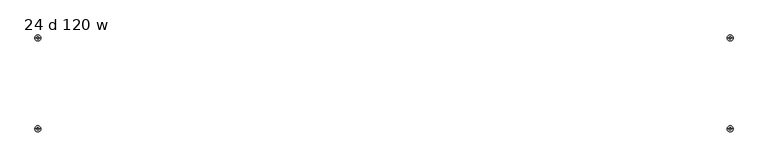
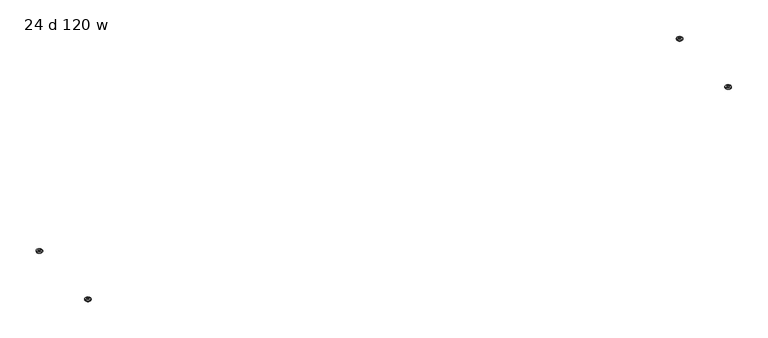
"""IFC4 building model written with IfcOpenShell, lengths in millimetres: furniture geometry, 24 d 120 w."""

from ifc_helpers import new_model, si_unit, point, frame, origin, place, context, project, spatial, circle_curve, ellipse_curve, trimmed, source, transform, mapped, element, save
from ifc_brep_helpers import plane_surface, cylinder_surface, revolved_surface, advanced_brep


def furniture_24_d_120_w_825c9693(model_context):
    return source(origin(), model_context, "Body", "AdvancedBrep", [
        advanced_brep(
        [(-1453.3322731, -191.2439953, 0.0), (-1458.4112333, -191.2439953, 0.0), (-1455.8717532, -191.2439953, 0.0), (-1443.174498, -191.2439953, 3.6684262), (-1468.5690084, -191.2439953, 3.6684262), (-1443.174498, -191.2439953, 7.8731999), (-1468.5690084, -191.2439953, 7.8731999), (-1451.1120222, -191.2439953, 7.8731999), (-1460.6314842, -191.2439953, 7.8731999), (-1451.1120222, -191.2439953, 12.2237497), (-1460.6314842, -191.2439953, 12.2237497), (-1455.8717532, -191.2439953, 12.2237497)],
        [
            (0, 1, circle_curve(frame((-1455.8717532, -191.2439953, 0.0), z_axis=(0.0, 0.0, -1.0), x_axis=(-1.0, 0.0, 0.0)), 2.5394801)),
            (1, 2),
            (2, 0),
            (1, 0, circle_curve(frame((-1455.8717532, -191.2439953, 0.0), z_axis=(0.0, 0.0, -1.0), x_axis=(-1.0, 0.0, 0.0)), 2.5394801)),
            (0, 3, circle_curve(frame((-1453.3322731, -191.2439953, 15.8975186), z_axis=(0.0, -1.0, 0.0), x_axis=(1.0, 0.0, 0.0)), 15.8975186)),
            (3, 4, circle_curve(frame((-1455.8717532, -191.2439953, 3.6684262), z_axis=(0.0, 0.0, -1.0), x_axis=(-1.0, 0.0, 0.0)), 12.6972552)),
            (4, 1, circle_curve(frame((-1458.4112333, -191.2439953, 15.8975186), z_axis=(0.0, -1.0, 0.0), x_axis=(-1.0, 0.0, 0.0)), 15.8975186)),
            (4, 3, circle_curve(frame((-1455.8717532, -191.2439953, 3.6684262), z_axis=(0.0, 0.0, -1.0), x_axis=(-1.0, 0.0, 0.0)), 12.6972552)),
            (3, 5),
            (5, 6, circle_curve(frame((-1455.8717532, -191.2439953, 7.8731999), z_axis=(0.0, 0.0, -1.0), x_axis=(-1.0, 0.0, 0.0)), 12.6972552)),
            (6, 4),
            (6, 5, circle_curve(frame((-1455.8717532, -191.2439953, 7.8731999), z_axis=(0.0, 0.0, -1.0), x_axis=(-1.0, 0.0, 0.0)), 12.6972552)),
            (5, 7),
            (7, 8, circle_curve(frame((-1455.8717532, -191.2439953, 7.8731999), z_axis=(0.0, 0.0, -1.0), x_axis=(-1.0, 0.0, 0.0)), 4.759731)),
            (8, 6),
            (8, 7, circle_curve(frame((-1455.8717532, -191.2439953, 7.8731999), z_axis=(0.0, 0.0, -1.0), x_axis=(-1.0, 0.0, 0.0)), 4.759731)),
            (7, 9),
            (9, 10, circle_curve(frame((-1455.8717532, -191.2439953, 12.2237497), z_axis=(0.0, 0.0, -1.0), x_axis=(-1.0, 0.0, 0.0)), 4.759731)),
            (10, 8),
            (10, 9, circle_curve(frame((-1455.8717532, -191.2439953, 12.2237497), z_axis=(0.0, 0.0, -1.0), x_axis=(-1.0, 0.0, 0.0)), 4.759731)),
            (9, 11),
            (11, 10),
        ],
        [
            plane_surface(frame((-1455.8717532, -191.2439953, 0.0), z_axis=(0.0, 0.0, -1.0), x_axis=(-1.0, 0.0, 0.0))),
            revolved_surface(trimmed(ellipse_curve(frame((-1458.4112333, -191.2439953, 15.8975186), z_axis=(0.0, 1.0, 0.0), x_axis=(-1.0, 0.0, 0.0)), 15.8975186, 15.8975186), [point((-1458.4112333, -191.2439953, 0.0))], [point((-1468.5690084, -191.2439953, 3.6684262))], True, "CARTESIAN"), (-1455.8717532, -191.2439953, 12.2237497), (0.0, 0.0, 1.0)),
            cylinder_surface(frame((-1455.8717532, -191.2439953, 12.2237497), z_axis=(0.0, 0.0, 1.0), x_axis=(-1.0, 0.0, 0.0)), 12.6972552),
            plane_surface(frame((-1455.8717532, -191.2439953, 7.8731999), z_axis=(0.0, 0.0, 1.0), x_axis=(-1.0, 0.0, 0.0))),
            cylinder_surface(frame((-1455.8717532, -191.2439953, 12.2237497), z_axis=(0.0, 0.0, 1.0), x_axis=(-1.0, 0.0, 0.0)), 4.759731),
            plane_surface(frame((-1455.8717532, -191.2439953, 12.2237497), z_axis=(0.0, 0.0, 1.0), x_axis=(-1.0, 0.0, 0.0))),
        ],
        [
            (0, [[1, 2, 3]]),
            (0, [[-2, 4, -3]]),
            (1, [[-1, 5, 6, 7]]),
            (1, [[-4, -7, 8, -5]]),
            (2, [[-6, 9, 10, 11]]),
            (2, [[-8, -11, 12, -9]]),
            (3, [[-10, 13, 14, 15]]),
            (3, [[-12, -15, 16, -13]]),
            (4, [[-14, 17, 18, 19]]),
            (4, [[-16, -19, 20, -17]]),
            (5, [[-18, 21, 22]]),
            (5, [[-20, -22, -21]]),
        ],
    ),
        advanced_brep(
        [(-1455.8717532, 191.2439953, 0.0), (-1458.4112333, 191.2439953, 0.0), (-1453.3322731, 191.2439953, 0.0), (-1468.5690084, 191.2439953, 3.6684262), (-1443.174498, 191.2439953, 3.6684262), (-1468.5690084, 191.2439953, 7.8731999), (-1443.174498, 191.2439953, 7.8731999), (-1460.6314842, 191.2439953, 7.8731999), (-1451.1120222, 191.2439953, 7.8731999), (-1460.6314842, 191.2439953, 12.2237497), (-1451.1120222, 191.2439953, 12.2237497), (-1455.8717532, 191.2439953, 12.2237497)],
        [
            (0, 1),
            (1, 2, circle_curve(frame((-1455.8717532, 191.2439953, 0.0), z_axis=(0.0, 0.0, -1.0), x_axis=(-1.0, 0.0, 0.0)), 2.5394801)),
            (2, 0),
            (2, 1, circle_curve(frame((-1455.8717532, 191.2439953, 0.0), z_axis=(0.0, 0.0, -1.0), x_axis=(-1.0, 0.0, 0.0)), 2.5394801)),
            (1, 3, circle_curve(frame((-1458.4112333, 191.2439953, 15.8975186), z_axis=(0.0, 1.0, 0.0), x_axis=(-1.0, 0.0, 0.0)), 15.8975186)),
            (3, 4, circle_curve(frame((-1455.8717532, 191.2439953, 3.6684262), z_axis=(0.0, 0.0, -1.0), x_axis=(-1.0, 0.0, 0.0)), 12.6972552)),
            (4, 2, circle_curve(frame((-1453.3322731, 191.2439953, 15.8975186), z_axis=(0.0, 1.0, 0.0), x_axis=(1.0, 0.0, 0.0)), 15.8975186)),
            (4, 3, circle_curve(frame((-1455.8717532, 191.2439953, 3.6684262), z_axis=(0.0, 0.0, -1.0), x_axis=(-1.0, 0.0, 0.0)), 12.6972552)),
            (3, 5),
            (5, 6, circle_curve(frame((-1455.8717532, 191.2439953, 7.8731999), z_axis=(0.0, 0.0, -1.0), x_axis=(-1.0, 0.0, 0.0)), 12.6972552)),
            (6, 4),
            (6, 5, circle_curve(frame((-1455.8717532, 191.2439953, 7.8731999), z_axis=(0.0, 0.0, -1.0), x_axis=(-1.0, 0.0, 0.0)), 12.6972552)),
            (5, 7),
            (7, 8, circle_curve(frame((-1455.8717532, 191.2439953, 7.8731999), z_axis=(0.0, 0.0, -1.0), x_axis=(-1.0, 0.0, 0.0)), 4.759731)),
            (8, 6),
            (8, 7, circle_curve(frame((-1455.8717532, 191.2439953, 7.8731999), z_axis=(0.0, 0.0, -1.0), x_axis=(-1.0, 0.0, 0.0)), 4.759731)),
            (7, 9),
            (9, 10, circle_curve(frame((-1455.8717532, 191.2439953, 12.2237497), z_axis=(0.0, 0.0, -1.0), x_axis=(-1.0, 0.0, 0.0)), 4.759731)),
            (10, 8),
            (10, 9, circle_curve(frame((-1455.8717532, 191.2439953, 12.2237497), z_axis=(0.0, 0.0, -1.0), x_axis=(-1.0, 0.0, 0.0)), 4.759731)),
            (9, 11),
            (11, 10),
        ],
        [
            plane_surface(frame((-1455.8717532, 191.2439953, 0.0), z_axis=(0.0, 0.0, -1.0), x_axis=(-1.0, 0.0, 0.0))),
            revolved_surface(trimmed(ellipse_curve(frame((-1458.4112333, 191.2439953, 15.8975186), z_axis=(0.0, -1.0, 0.0), x_axis=(-1.0, 0.0, 0.0)), 15.8975186, 15.8975186), [point((-1468.5690084, 191.2439953, 3.6684262))], [point((-1458.4112333, 191.2439953, 0.0))], True, "CARTESIAN"), (-1455.8717532, 191.2439953, 12.2237497), (0.0, 0.0, -1.0)),
            cylinder_surface(frame((-1455.8717532, 191.2439953, 12.2237497), z_axis=(0.0, 0.0, -1.0), x_axis=(-1.0, 0.0, 0.0)), 12.6972552),
            plane_surface(frame((-1455.8717532, 191.2439953, 7.8731999), z_axis=(0.0, 0.0, 1.0), x_axis=(-1.0, 0.0, 0.0))),
            cylinder_surface(frame((-1455.8717532, 191.2439953, 12.2237497), z_axis=(0.0, 0.0, -1.0), x_axis=(-1.0, 0.0, 0.0)), 4.759731),
            plane_surface(frame((-1455.8717532, 191.2439953, 12.2237497), z_axis=(0.0, 0.0, 1.0), x_axis=(-1.0, 0.0, 0.0))),
        ],
        [
            (0, [[1, 2, 3]]),
            (0, [[-1, -3, 4]]),
            (1, [[-2, 5, 6, 7]]),
            (1, [[-4, -7, 8, -5]]),
            (2, [[-6, 9, 10, 11]]),
            (2, [[-8, -11, 12, -9]]),
            (3, [[-10, 13, 14, 15]]),
            (3, [[-12, -15, 16, -13]]),
            (4, [[-14, 17, 18, 19]]),
            (4, [[-16, -19, 20, -17]]),
            (5, [[-18, 21, 22]]),
            (5, [[-20, -22, -21]]),
        ],
    ),
        advanced_brep(
        [(1455.8717532, -191.2439953, 0.0), (1458.4112333, -191.2439953, 0.0), (1453.3322731, -191.2439953, 0.0), (1468.5690084, -191.2439953, 3.6684262), (1443.174498, -191.2439953, 3.6684262), (1468.5690084, -191.2439953, 7.8731999), (1443.174498, -191.2439953, 7.8731999), (1460.6314842, -191.2439953, 7.8731999), (1451.1120222, -191.2439953, 7.8731999), (1460.6314842, -191.2439953, 12.2237497), (1451.1120222, -191.2439953, 12.2237497), (1455.8717532, -191.2439953, 12.2237497)],
        [
            (0, 1),
            (1, 2, circle_curve(frame((1455.8717532, -191.2439953, 0.0), z_axis=(0.0, 0.0, -1.0), x_axis=(1.0, 0.0, 0.0)), 2.5394801)),
            (2, 0),
            (2, 1, circle_curve(frame((1455.8717532, -191.2439953, 0.0), z_axis=(0.0, 0.0, -1.0), x_axis=(1.0, 0.0, 0.0)), 2.5394801)),
            (1, 3, circle_curve(frame((1458.4112333, -191.2439953, 15.8975186), z_axis=(0.0, -1.0, 0.0), x_axis=(-1.0, 0.0, 0.0)), 15.8975186)),
            (3, 4, circle_curve(frame((1455.8717532, -191.2439953, 3.6684262), z_axis=(0.0, 0.0, -1.0), x_axis=(1.0, 0.0, 0.0)), 12.6972552)),
            (4, 2, circle_curve(frame((1453.3322731, -191.2439953, 15.8975186), z_axis=(0.0, -1.0, 0.0), x_axis=(1.0, 0.0, 0.0)), 15.8975186)),
            (4, 3, circle_curve(frame((1455.8717532, -191.2439953, 3.6684262), z_axis=(0.0, 0.0, -1.0), x_axis=(1.0, 0.0, 0.0)), 12.6972552)),
            (3, 5),
            (5, 6, circle_curve(frame((1455.8717532, -191.2439953, 7.8731999), z_axis=(0.0, 0.0, -1.0), x_axis=(1.0, 0.0, 0.0)), 12.6972552)),
            (6, 4),
            (6, 5, circle_curve(frame((1455.8717532, -191.2439953, 7.8731999), z_axis=(0.0, 0.0, -1.0), x_axis=(1.0, 0.0, 0.0)), 12.6972552)),
            (5, 7),
            (7, 8, circle_curve(frame((1455.8717532, -191.2439953, 7.8731999), z_axis=(0.0, 0.0, -1.0), x_axis=(1.0, 0.0, 0.0)), 4.759731)),
            (8, 6),
            (8, 7, circle_curve(frame((1455.8717532, -191.2439953, 7.8731999), z_axis=(0.0, 0.0, -1.0), x_axis=(1.0, 0.0, 0.0)), 4.759731)),
            (7, 9),
            (9, 10, circle_curve(frame((1455.8717532, -191.2439953, 12.2237497), z_axis=(0.0, 0.0, -1.0), x_axis=(1.0, 0.0, 0.0)), 4.759731)),
            (10, 8),
            (10, 9, circle_curve(frame((1455.8717532, -191.2439953, 12.2237497), z_axis=(0.0, 0.0, -1.0), x_axis=(1.0, 0.0, 0.0)), 4.759731)),
            (9, 11),
            (11, 10),
        ],
        [
            plane_surface(frame((1455.8717532, -191.2439953, 0.0), z_axis=(0.0, 0.0, -1.0), x_axis=(1.0, 0.0, 0.0))),
            revolved_surface(trimmed(ellipse_curve(frame((1458.4112333, -191.2439953, 15.8975186), z_axis=(0.0, 1.0, 0.0), x_axis=(-1.0, 0.0, 0.0)), 15.8975186, 15.8975186), [point((1468.5690084, -191.2439953, 3.6684262))], [point((1458.4112333, -191.2439953, 0.0))], True, "CARTESIAN"), (1455.8717532, -191.2439953, 12.2237497), (0.0, 0.0, -1.0)),
            cylinder_surface(frame((1455.8717532, -191.2439953, 12.2237497), z_axis=(0.0, 0.0, -1.0), x_axis=(1.0, 0.0, 0.0)), 12.6972552),
            plane_surface(frame((1455.8717532, -191.2439953, 7.8731999), z_axis=(0.0, 0.0, 1.0), x_axis=(1.0, 0.0, 0.0))),
            cylinder_surface(frame((1455.8717532, -191.2439953, 12.2237497), z_axis=(0.0, 0.0, -1.0), x_axis=(1.0, 0.0, 0.0)), 4.759731),
            plane_surface(frame((1455.8717532, -191.2439953, 12.2237497), z_axis=(0.0, 0.0, 1.0), x_axis=(1.0, 0.0, 0.0))),
        ],
        [
            (0, [[1, 2, 3]]),
            (0, [[-1, -3, 4]]),
            (1, [[-2, 5, 6, 7]]),
            (1, [[-4, -7, 8, -5]]),
            (2, [[-6, 9, 10, 11]]),
            (2, [[-8, -11, 12, -9]]),
            (3, [[-10, 13, 14, 15]]),
            (3, [[-12, -15, 16, -13]]),
            (4, [[-14, 17, 18, 19]]),
            (4, [[-16, -19, 20, -17]]),
            (5, [[-18, 21, 22]]),
            (5, [[-20, -22, -21]]),
        ],
    ),
        advanced_brep(
        [(1453.3322731, 191.2439953, 0.0), (1458.4112333, 191.2439953, 0.0), (1455.8717532, 191.2439953, 0.0), (1443.174498, 191.2439953, 3.6684262), (1468.5690084, 191.2439953, 3.6684262), (1443.174498, 191.2439953, 7.8731999), (1468.5690084, 191.2439953, 7.8731999), (1451.1120222, 191.2439953, 7.8731999), (1460.6314842, 191.2439953, 7.8731999), (1451.1120222, 191.2439953, 12.2237497), (1460.6314842, 191.2439953, 12.2237497), (1455.8717532, 191.2439953, 12.2237497)],
        [
            (0, 1, circle_curve(frame((1455.8717532, 191.2439953, 0.0), z_axis=(0.0, 0.0, -1.0), x_axis=(1.0, 0.0, 0.0)), 2.5394801)),
            (1, 2),
            (2, 0),
            (1, 0, circle_curve(frame((1455.8717532, 191.2439953, 0.0), z_axis=(0.0, 0.0, -1.0), x_axis=(1.0, 0.0, 0.0)), 2.5394801)),
            (0, 3, circle_curve(frame((1453.3322731, 191.2439953, 15.8975186), z_axis=(0.0, 1.0, 0.0), x_axis=(1.0, 0.0, 0.0)), 15.8975186)),
            (3, 4, circle_curve(frame((1455.8717532, 191.2439953, 3.6684262), z_axis=(0.0, 0.0, -1.0), x_axis=(1.0, 0.0, 0.0)), 12.6972552)),
            (4, 1, circle_curve(frame((1458.4112333, 191.2439953, 15.8975186), z_axis=(0.0, 1.0, 0.0), x_axis=(-1.0, 0.0, 0.0)), 15.8975186)),
            (4, 3, circle_curve(frame((1455.8717532, 191.2439953, 3.6684262), z_axis=(0.0, 0.0, -1.0), x_axis=(1.0, 0.0, 0.0)), 12.6972552)),
            (3, 5),
            (5, 6, circle_curve(frame((1455.8717532, 191.2439953, 7.8731999), z_axis=(0.0, 0.0, -1.0), x_axis=(1.0, 0.0, 0.0)), 12.6972552)),
            (6, 4),
            (6, 5, circle_curve(frame((1455.8717532, 191.2439953, 7.8731999), z_axis=(0.0, 0.0, -1.0), x_axis=(1.0, 0.0, 0.0)), 12.6972552)),
            (5, 7),
            (7, 8, circle_curve(frame((1455.8717532, 191.2439953, 7.8731999), z_axis=(0.0, 0.0, -1.0), x_axis=(1.0, 0.0, 0.0)), 4.759731)),
            (8, 6),
            (8, 7, circle_curve(frame((1455.8717532, 191.2439953, 7.8731999), z_axis=(0.0, 0.0, -1.0), x_axis=(1.0, 0.0, 0.0)), 4.759731)),
            (7, 9),
            (9, 10, circle_curve(frame((1455.8717532, 191.2439953, 12.2237497), z_axis=(0.0, 0.0, -1.0), x_axis=(1.0, 0.0, 0.0)), 4.759731)),
            (10, 8),
            (10, 9, circle_curve(frame((1455.8717532, 191.2439953, 12.2237497), z_axis=(0.0, 0.0, -1.0), x_axis=(1.0, 0.0, 0.0)), 4.759731)),
            (9, 11),
            (11, 10),
        ],
        [
            plane_surface(frame((1455.8717532, 191.2439953, 0.0), z_axis=(0.0, 0.0, -1.0), x_axis=(1.0, 0.0, 0.0))),
            revolved_surface(trimmed(ellipse_curve(frame((1458.4112333, 191.2439953, 15.8975186), z_axis=(0.0, -1.0, 0.0), x_axis=(-1.0, 0.0, 0.0)), 15.8975186, 15.8975186), [point((1458.4112333, 191.2439953, 0.0))], [point((1468.5690084, 191.2439953, 3.6684262))], True, "CARTESIAN"), (1455.8717532, 191.2439953, 12.2237497), (0.0, 0.0, 1.0)),
            cylinder_surface(frame((1455.8717532, 191.2439953, 12.2237497), z_axis=(0.0, 0.0, 1.0), x_axis=(1.0, 0.0, 0.0)), 12.6972552),
            plane_surface(frame((1455.8717532, 191.2439953, 7.8731999), z_axis=(0.0, 0.0, 1.0), x_axis=(1.0, 0.0, 0.0))),
            cylinder_surface(frame((1455.8717532, 191.2439953, 12.2237497), z_axis=(0.0, 0.0, 1.0), x_axis=(1.0, 0.0, 0.0)), 4.759731),
            plane_surface(frame((1455.8717532, 191.2439953, 12.2237497), z_axis=(0.0, 0.0, 1.0), x_axis=(1.0, 0.0, 0.0))),
        ],
        [
            (0, [[1, 2, 3]]),
            (0, [[-2, 4, -3]]),
            (1, [[-1, 5, 6, 7]]),
            (1, [[-4, -7, 8, -5]]),
            (2, [[-6, 9, 10, 11]]),
            (2, [[-8, -11, 12, -9]]),
            (3, [[-10, 13, 14, 15]]),
            (3, [[-12, -15, 16, -13]]),
            (4, [[-14, 17, 18, 19]]),
            (4, [[-16, -19, 20, -17]]),
            (5, [[-18, 21, 22]]),
            (5, [[-20, -22, -21]]),
        ],
    ),
    ])


if __name__ == "__main__":
    model = new_model("IFC4")
    model_context = context("Model", 3, world=origin())
    ifc_project = project(units=[si_unit("LENGTHUNIT", "METRE", prefix="MILLI")], contexts=[model_context])
    site = spatial("IfcSite", under=ifc_project)
    building = spatial("IfcBuilding", under=site)
    placement = place(None, origin())
    furniture_24_d_120_w_shape = furniture_24_d_120_w_825c9693(model_context)
    element("IfcFurniture", 1, ObjectType="24 d 120 w", at=placement, inside=building, context=model_context, shape_type="MappedRepresentation", body=[
        mapped(furniture_24_d_120_w_shape, transform((0.0, 0.0, 0.0), x_axis=(1.0, 0.0, 0.0), y_axis=(0.0, 1.0, 0.0), z_axis=(0.0, 0.0, 1.0))),
    ])
    save(model, "model.ifc")
